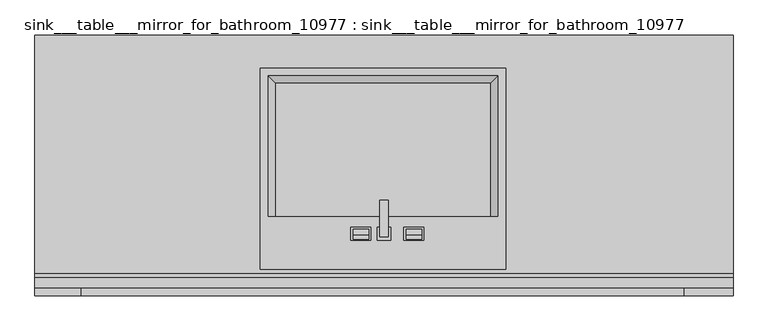
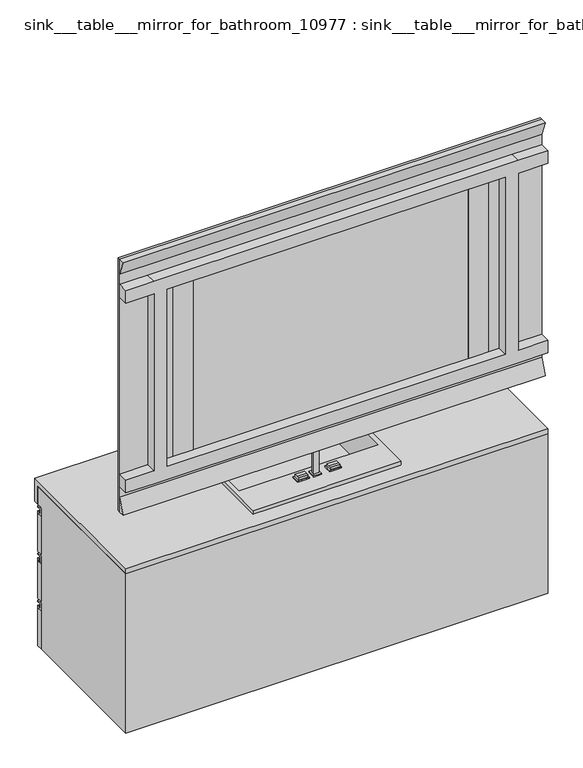
"""IFC4 building model written with IfcOpenShell, lengths in millimetres: furniture geometry, sink___table___mirror_for_bathroom_10977 : sink___table___mirror_for_bathroom_10977."""

from ifc_helpers import new_model, si_unit, point, frame, frame_2d, origin, place, context, project, spatial, polyline, circle_curve, trimmed, segment, composite_curve, outline, extrude, faceted_brep, source, transform, mapped, element, save


def sink_table_mirror_for_bathroom_10977_sink_table_mirror_for_8c8fbd03(model_context):
    return source(origin(), model_context, "Body", "SolidModel", [
        extrude(outline(polyline([(40.0, 1991.1077375), (17.3933785, 2050.0), (40.0, 2050.0), (40.0, 1991.1077375)])), frame((-790.0, 0.0, 0.0), z_axis=(1.0, 0.0, 0.0), x_axis=(0.0, 1.0, 0.0)), (0.0, 0.0, 1.0), 1580.0),
        extrude(outline(polyline([(40.0, 1050.0), (17.3933785, 1050.0), (40.0, 1108.8922625), (40.0, 1050.0)])), frame((-790.0, 0.0, 0.0), z_axis=(1.0, 0.0, 0.0), x_axis=(0.0, 1.0, 0.0)), (0.0, 0.0, 1.0), 1580.0),
        extrude(outline(polyline([(515.0, 50.0), (590.0, 50.0), (590.0, 40.0), (515.0, 40.0), (515.0, 50.0)])), frame((0.0, 0.0, 1200.0), z_axis=(0.0, 0.0, 1.0), x_axis=(1.0, 0.0, 0.0)), (0.0, 0.0, 1.0), 700.0),
        extrude(outline(polyline([(-590.0, 50.0), (-515.0, 50.0), (-515.0, 40.0), (-590.0, 40.0), (-590.0, 50.0)])), frame((0.0, 0.0, 1200.0), z_axis=(0.0, 0.0, 1.0), x_axis=(1.0, 0.0, 0.0)), (0.0, 0.0, 1.0), 700.0),
        extrude(outline(polyline([(1900.0, 680.0), (1900.0, 790.0), (1950.0, 790.0), (1950.0, 680.0), (1950.0, -685.0), (1950.0, -790.0), (1900.0, -790.0), (1900.0, -685.0), (1200.0, -685.0), (1200.0, -790.0), (1150.0, -790.0), (1150.0, -685.0), (1150.0, 680.0), (1150.0, 790.0), (1200.0, 790.0), (1200.0, 680.0), (1900.0, 680.0)]), holes=[polyline([(1200.0, -635.0), (1900.0, -635.0), (1900.0, 630.0), (1200.0, 630.0), (1200.0, -635.0)])]), frame((0.0, 0.0, 0.0), z_axis=(0.0, 1.0, 0.0), x_axis=(0.0, 0.0, 1.0)), (0.0, 0.0, 1.0), 40.0),
        extrude(outline(polyline([(2050.0, -790.0), (1050.0, -790.0), (1050.0, 790.0), (2050.0, 790.0), (2050.0, -790.0)]), holes=[polyline([(1200.0, -515.0), (1200.0, -590.0), (1900.0, -590.0), (1900.0, -515.0), (1200.0, -515.0)]), polyline([(1900.0, 590.0), (1200.0, 590.0), (1200.0, 515.0), (1900.0, 515.0), (1900.0, 590.0)])]), frame((0.0, 40.0, 0.0), z_axis=(0.0, 1.0, 0.0), x_axis=(0.0, 0.0, 1.0)), (0.0, 0.0, 1.0), 10.0),
        extrude(outline(composite_curve([segment(trimmed(circle_curve(frame_2d((162.4887432, 875.0)), 13.0), [point((150.4887432, 880.0))], [point((150.4887432, 870.0))], True, "CARTESIAN"), True, "CONTINUOUS"), segment(polyline([(150.4887432, 870.0), (128.0269264, 870.0)]), True, "CONTINUOUS"), segment(trimmed(circle_curve(frame_2d((116.0269264, 875.0)), 13.0), [point((128.0269264, 870.0))], [point((128.0269264, 880.0))], True, "CARTESIAN"), True, "CONTINUOUS"), segment(polyline([(128.0269264, 880.0), (138.0, 880.0), (150.4887432, 880.0)]), True, "CONTINUOUS")], self_intersect=False)), frame((-70.0, 0.0, 0.0), z_axis=(1.0, 0.0, 0.0), x_axis=(0.0, 1.0, 0.0)), (0.0, 0.0, 1.0), 35.0),
        extrude(outline(composite_curve([segment(trimmed(circle_curve(frame_2d((162.4887432, 875.0)), 13.0), [point((150.4887432, 880.0))], [point((150.4887432, 870.0))], True, "CARTESIAN"), True, "CONTINUOUS"), segment(polyline([(150.4887432, 870.0), (128.0269264, 870.0)]), True, "CONTINUOUS"), segment(trimmed(circle_curve(frame_2d((116.0269264, 875.0)), 13.0), [point((128.0269264, 870.0))], [point((128.0269264, 880.0))], True, "CARTESIAN"), True, "CONTINUOUS"), segment(polyline([(128.0269264, 880.0), (138.0, 880.0), (150.4887432, 880.0)]), True, "CONTINUOUS")], self_intersect=False)), frame((50.0, 0.0, 0.0), z_axis=(1.0, 0.0, 0.0), x_axis=(0.0, 1.0, 0.0)), (0.0, 0.0, 1.0), 35.0),
        extrude(outline(polyline([(216.5476089, 960.0), (216.5476089, 950.0), (143.0, 950.0), (143.0, 870.0), (133.0, 870.0), (133.0, 960.0), (216.5476089, 960.0)])), frame((-10.0, 0.0, 0.0), z_axis=(1.0, 0.0, 0.0), x_axis=(0.0, 1.0, 0.0)), (0.0, 0.0, 1.0), 20.0),
        extrude(outline(polyline([(-15.0, 125.0), (-15.0, 155.0), (15.0, 155.0), (15.0, 125.0), (0.0, 125.0), (-15.0, 125.0)])), frame((0.0, 0.0, 865.0), z_axis=(0.0, 0.0, 1.0), x_axis=(1.0, 0.0, 0.0)), (0.0, 0.0, 1.0), 5.0),
        extrude(outline(polyline([(-75.0, 125.0), (-75.0, 155.0), (-29.5505098, 155.0), (-29.5505098, 125.0), (-60.0, 125.0), (-75.0, 125.0)])), frame((0.0, 0.0, 865.0), z_axis=(0.0, 0.0, 1.0), x_axis=(1.0, 0.0, 0.0)), (0.0, 0.0, 1.0), 5.0),
        extrude(outline(polyline([(90.072419, 125.0), (60.0, 125.0), (45.0, 125.0), (45.0, 155.0), (90.072419, 155.0), (90.072419, 125.0)])), frame((0.0, 0.0, 865.0), z_axis=(0.0, 0.0, 1.0), x_axis=(1.0, 0.0, 0.0)), (0.0, 0.0, 1.0), 5.0),
        extrude(outline(polyline([(95.0491514, 730.0), (92.8310531, 738.5435241), (482.2149877, 738.5435241), (480.0, 730.0), (95.0491514, 730.0)])), frame((-244.950685, 0.0, 0.0), z_axis=(1.0, 0.0, 0.0), x_axis=(0.0, 1.0, 0.0)), (0.0, 0.0, 1.0), 486.9551652),
        faceted_brep([(-790.0, 590.0, 760.0), (-790.0, 570.0, 760.0), (-790.0, 570.0, 830.0), (-790.0, 0.0, 830.0), (-790.0, 0.0, 850.0), (-790.0, 590.0, 850.0), (790.0, 590.0, 850.0), (790.0, 0.0, 850.0), (790.0, 0.0, 830.0), (790.0, 570.0, 830.0), (790.0, 570.0, 760.0), (790.0, 590.0, 760.0), (-280.0, 180.0, 850.0), (-280.0, 515.0, 850.0), (275.0, 515.0, 850.0), (275.0, 180.0, 850.0), (-280.0, 180.0, 830.0), (275.0, 180.0, 830.0), (275.0, 515.0, 830.0), (-280.0, 515.0, 830.0)], [[[0, 1, 2, 3, 4, 5]], [[6, 7, 8, 9, 10, 11]], [[1, 0, 11, 10]], [[2, 1, 10, 9]], [[0, 5, 6, 11]], [[4, 7, 6, 5], [12, 13, 14, 15]], [[8, 3, 2, 9], [16, 17, 18, 19]], [[7, 4, 3, 8]], [[13, 12, 16, 19]], [[14, 13, 19, 18]], [[15, 14, 18, 17]], [[12, 15, 17, 16]]]),
        extrude(outline(polyline([(570.0, 354.3092483), (570.0, 349.3092483), (550.0, 349.3092483), (550.0, 379.3092483), (570.0, 379.3092483), (570.0, 374.3092483), (555.0, 374.3092483), (555.0, 354.3092483), (565.0, 354.3092483), (565.0, 360.0), (570.0, 360.0), (570.0, 354.3092483)])), frame((-790.0, 0.0, 0.0), z_axis=(1.0, 0.0, 0.0), x_axis=(0.0, 1.0, 0.0)), (0.0, 0.0, 1.0), 527.0),
        extrude(outline(polyline([(570.0, 541.3092483), (570.0, 536.3092483), (550.0, 536.3092483), (550.0, 566.3092483), (570.0, 566.3092483), (570.0, 561.3092483), (555.0, 561.3092483), (555.0, 541.3092483), (565.0, 541.3092483), (565.0, 547.0), (570.0, 547.0), (570.0, 541.3092483)])), frame((-790.0, 0.0, 0.0), z_axis=(1.0, 0.0, 0.0), x_axis=(0.0, 1.0, 0.0)), (0.0, 0.0, 1.0), 527.0),
        extrude(outline(polyline([(570.0, 728.3092483), (570.0, 723.3092483), (550.0, 723.3092483), (550.0, 753.3092483), (570.0, 753.3092483), (570.0, 748.3092483), (555.0, 748.3092483), (555.0, 728.3092483), (565.0, 728.3092483), (565.0, 734.0), (570.0, 734.0), (570.0, 728.3092483)])), frame((-790.0, 0.0, 0.0), z_axis=(1.0, 0.0, 0.0), x_axis=(0.0, 1.0, 0.0)), (0.0, 0.0, 1.0), 527.0),
        extrude(outline(polyline([(570.0, 354.3092483), (570.0, 349.3092483), (550.0, 349.3092483), (550.0, 379.3092483), (570.0, 379.3092483), (570.0, 374.3092483), (555.0, 374.3092483), (555.0, 354.3092483), (565.0, 354.3092483), (565.0, 360.0), (570.0, 360.0), (570.0, 354.3092483)])), frame((263.0, 0.0, 0.0), z_axis=(1.0, 0.0, 0.0), x_axis=(0.0, 1.0, 0.0)), (0.0, 0.0, 1.0), 527.0),
        extrude(outline(polyline([(570.0, 541.3092483), (570.0, 536.3092483), (550.0, 536.3092483), (550.0, 566.3092483), (570.0, 566.3092483), (570.0, 561.3092483), (555.0, 561.3092483), (555.0, 541.3092483), (565.0, 541.3092483), (565.0, 547.0), (570.0, 547.0), (570.0, 541.3092483)])), frame((263.0, 0.0, 0.0), z_axis=(1.0, 0.0, 0.0), x_axis=(0.0, 1.0, 0.0)), (0.0, 0.0, 1.0), 527.0),
        extrude(outline(polyline([(570.0, 728.3092483), (570.0, 723.3092483), (550.0, 723.3092483), (550.0, 753.3092483), (570.0, 753.3092483), (570.0, 748.3092483), (555.0, 748.3092483), (555.0, 728.3092483), (565.0, 728.3092483), (565.0, 734.0), (570.0, 734.0), (570.0, 728.3092483)])), frame((263.0, 0.0, 0.0), z_axis=(1.0, 0.0, 0.0), x_axis=(0.0, 1.0, 0.0)), (0.0, 0.0, 1.0), 527.0),
        extrude(outline(polyline([(-790.0, 550.0), (-790.0, 570.0), (-263.0, 570.0), (-263.0, 550.0), (-790.0, 550.0)])), frame((0.0, 0.0, 574.0), z_axis=(0.0, 0.0, 1.0), x_axis=(1.0, 0.0, 0.0)), (0.0, 0.0, 1.0), 149.3092483),
        extrude(outline(polyline([(-790.0, 550.0), (-790.0, 570.0), (-263.0, 570.0), (-263.0, 550.0), (-790.0, 550.0)])), frame((0.0, 0.0, 387.0), z_axis=(0.0, 0.0, 1.0), x_axis=(1.0, 0.0, 0.0)), (0.0, 0.0, 1.0), 149.3092483),
        extrude(outline(polyline([(-790.0, 550.0), (-790.0, 570.0), (-263.0, 570.0), (-263.0, 550.0), (-790.0, 550.0)])), frame((0.0, 0.0, 200.0), z_axis=(0.0, 0.0, 1.0), x_axis=(1.0, 0.0, 0.0)), (0.0, 0.0, 1.0), 149.3092483),
        extrude(outline(polyline([(263.0, 550.0), (263.0, 570.0), (790.0, 570.0), (790.0, 550.0), (263.0, 550.0)])), frame((0.0, 0.0, 574.0), z_axis=(0.0, 0.0, 1.0), x_axis=(1.0, 0.0, 0.0)), (0.0, 0.0, 1.0), 149.3092483),
        extrude(outline(polyline([(263.0, 550.0), (263.0, 570.0), (790.0, 570.0), (790.0, 550.0), (263.0, 550.0)])), frame((0.0, 0.0, 387.0), z_axis=(0.0, 0.0, 1.0), x_axis=(1.0, 0.0, 0.0)), (0.0, 0.0, 1.0), 149.3092483),
        extrude(outline(polyline([(263.0, 550.0), (263.0, 570.0), (790.0, 570.0), (790.0, 550.0), (263.0, 550.0)])), frame((0.0, 0.0, 200.0), z_axis=(0.0, 0.0, 1.0), x_axis=(1.0, 0.0, 0.0)), (0.0, 0.0, 1.0), 149.3092483),
        faceted_brep([(-790.0, 550.0, 200.0), (-790.0, 0.0, 200.0), (-790.0, 0.0, 830.0), (-790.0, 570.0, 830.0), (-790.0, 570.0, 760.0), (-790.0, 550.0, 760.0), (790.0, 550.0, 200.0), (790.0, 550.0, 760.0), (790.0, 570.0, 760.0), (790.0, 570.0, 830.0), (790.0, 0.0, 830.0), (790.0, 0.0, 200.0), (265.9259259, 505.9259259, 830.0), (265.9259259, 180.0, 830.0), (252.771547, 180.0, 830.0), (-257.771547, 180.0, 830.0), (-270.9259259, 180.0, 830.0), (-270.9259259, 505.9259259, 830.0), (263.5, 550.0, 760.0), (263.5, 37.6609115, 760.0), (-263.5, 37.6609115, 760.0), (-263.5, 550.0, 760.0), (247.7777778, 180.0, 760.0), (247.7777778, 487.7777778, 760.0), (-252.7777778, 487.7777778, 760.0), (-252.7777778, 180.0, 760.0), (-248.8314641, 180.0, 760.0), (243.8314641, 180.0, 760.0), (-263.5, 550.0, 220.0), (263.5, 550.0, 220.0), (263.5, 37.6609115, 220.0), (-263.5, 37.6609115, 220.0), (240.0, 480.0, 730.0), (257.2415885, 497.2415885, 865.0), (-262.2415885, 497.2415885, 865.0), (-245.0, 480.0, 730.0), (-245.0, 180.0, 730.0), (-262.2415885, 180.0, 865.0), (-260.3258564, 180.0, 850.0), (257.2415885, 180.0, 865.0), (255.3258564, 180.0, 850.0), (240.0, 180.0, 730.0), (-280.0, 60.0, 865.0), (275.0, 60.0, 865.0), (275.0, 515.0, 865.0), (-280.0, 515.0, 865.0), (-276.1111111, 180.0, 850.0), (-265.0, 180.0, 850.0), (271.1111111, 180.0, 850.0), (260.0, 180.0, 850.0), (271.1111111, 511.1111111, 850.0), (-276.1111111, 511.1111111, 850.0), (-280.0, 60.0, 850.0), (-280.0, 515.0, 850.0), (275.0, 515.0, 850.0), (275.0, 60.0, 850.0)], [[[0, 1, 2, 3, 4, 5]], [[6, 7, 8, 9, 10, 11]], [[1, 0, 6, 11]], [[2, 1, 11, 10]], [[3, 2, 10, 9], [12, 13, 14, 15, 16, 17]], [[4, 3, 9, 8]], [[5, 4, 8, 7, 18, 19, 20, 21], [22, 23, 24, 25, 26, 27]], [[0, 5, 21, 28, 29, 18, 7, 6]], [[29, 30, 19, 18]], [[21, 20, 31, 28]], [[19, 30, 31, 20]], [[30, 29, 28, 31]], [[32, 33, 34, 35]], [[15, 26, 36, 35, 34, 37, 38]], [[26, 15, 14, 27]], [[38, 37, 39, 40]], [[27, 14, 40, 39, 33, 32, 41]], [[42, 43, 44, 45], [34, 33, 39, 37]], [[41, 22, 27]], [[25, 36, 26]], [[46, 16, 15, 38, 47]], [[13, 48, 49, 40, 14]], [[13, 12, 50, 48]], [[22, 41, 32, 23]], [[12, 17, 51, 50]], [[23, 32, 35, 24]], [[17, 16, 46, 51]], [[36, 25, 24, 35]], [[52, 53, 54, 55], [46, 47, 38, 40, 49, 48, 50, 51]], [[43, 42, 52, 55]], [[55, 54, 44, 43]], [[54, 53, 45, 44]], [[53, 52, 42, 45]]]),
    ])


if __name__ == "__main__":
    model = new_model("IFC4")
    model_context = context("Model", 3, world=origin())
    ifc_project = project(units=[si_unit("LENGTHUNIT", "METRE", prefix="MILLI")], contexts=[model_context])
    site = spatial("IfcSite", under=ifc_project)
    building = spatial("IfcBuilding", under=site)
    placement = place(None, origin())
    sink_table_mirror_for_bathroom_10977_sink_table_mirror_for_shape = sink_table_mirror_for_bathroom_10977_sink_table_mirror_for_8c8fbd03(model_context)
    element("IfcFurniture", 1, ObjectType="sink___table___mirror_for_bathroom_10977 : sink___table___mirror_for_bathroom_10977", at=placement, inside=building, context=model_context, shape_type="MappedRepresentation", body=[
        mapped(sink_table_mirror_for_bathroom_10977_sink_table_mirror_for_shape, transform((0.0, 0.0, 0.0), x_axis=(1.0, 0.0, 0.0), y_axis=(0.0, 1.0, 0.0), z_axis=(0.0, 0.0, 1.0))),
    ])
    save(model, "model.ifc")
